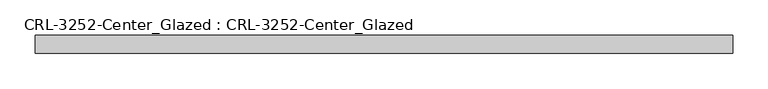
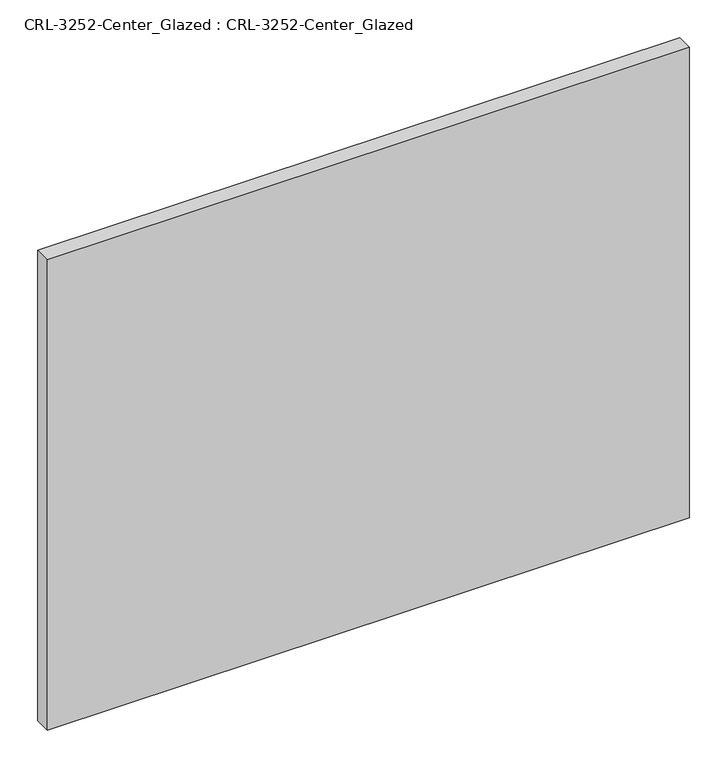
"""IFC4 building model written with IfcOpenShell, lengths in millimetres: plate geometry, CRL-3252-Center_Glazed : CRL-3252-Center_Glazed."""

from ifc_helpers import new_model, si_unit, origin, origin_with_axes, place, context, project, spatial, polyline, outline, extrude, source, transform, mapped, element, save


def crl_3252_center_glazed_crl_3252_center_glazed_749abf55(model_context):
    return source(origin(), model_context, "Body", "SweptSolid", [
        extrude(outline(polyline([(492.5415589, 12.7), (492.5415589, -12.7), (-492.5415589, -12.7), (-492.5415589, 12.7), (492.5415589, 12.7)])), origin_with_axes(), (0.0, 0.0, 1.0), 763.2431361),
    ])


if __name__ == "__main__":
    model = new_model("IFC4")
    model_context = context("Model", 3, world=origin())
    ifc_project = project(units=[si_unit("LENGTHUNIT", "METRE", prefix="MILLI")], contexts=[model_context])
    site = spatial("IfcSite", under=ifc_project)
    building = spatial("IfcBuilding", under=site)
    placement = place(None, origin())
    crl_3252_center_glazed_crl_3252_center_glazed_shape = crl_3252_center_glazed_crl_3252_center_glazed_749abf55(model_context)
    element("IfcPlate", 1, ObjectType="CRL-3252-Center_Glazed : CRL-3252-Center_Glazed", at=placement, inside=building, context=model_context, shape_type="MappedRepresentation", body=[
        mapped(crl_3252_center_glazed_crl_3252_center_glazed_shape, transform((0.0, 0.0, 0.0), x_axis=(1.0, 0.0, 0.0), y_axis=(0.0, 1.0, 0.0), z_axis=(0.0, 0.0, 1.0))),
    ])
    save(model, "model.ifc")
